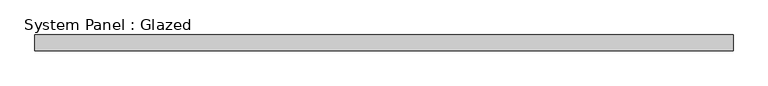
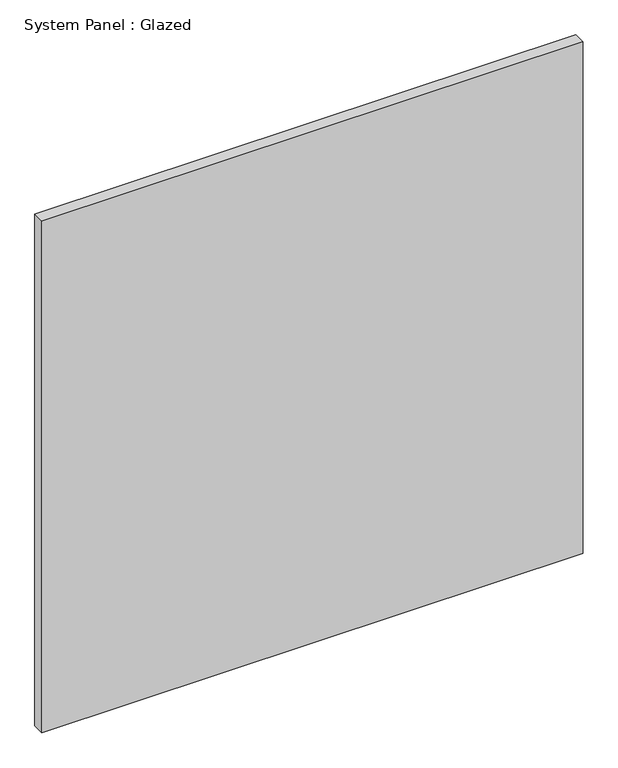
"""IFC4 building model written with IfcOpenShell, lengths in millimetres: plate geometry, System Panel : Glazed."""

from ifc_helpers import new_model, si_unit, origin, origin_with_axes, place, context, project, spatial, polyline, outline, extrude, source, transform, mapped, element, save


def system_panel_glazed_68c9a570(model_context):
    return source(origin(), model_context, "Body", "SweptSolid", [
        extrude(outline(polyline([(561.975, -44.45), (-561.975, -44.45), (-561.975, -19.05), (561.975, -19.05), (561.975, -44.45)])), origin_with_axes(), (0.0, 0.0, 1.0), 1123.95),
    ])


if __name__ == "__main__":
    model = new_model("IFC4")
    model_context = context("Model", 3, world=origin())
    ifc_project = project(units=[si_unit("LENGTHUNIT", "METRE", prefix="MILLI")], contexts=[model_context])
    site = spatial("IfcSite", under=ifc_project)
    building = spatial("IfcBuilding", under=site)
    placement = place(None, origin())
    system_panel_glazed_shape = system_panel_glazed_68c9a570(model_context)
    element("IfcPlate", 1, ObjectType="System Panel : Glazed", at=placement, inside=building, context=model_context, shape_type="MappedRepresentation", body=[
        mapped(system_panel_glazed_shape, transform((0.0, 0.0, 0.0), x_axis=(1.0, 0.0, 0.0), y_axis=(0.0, 1.0, 0.0), z_axis=(0.0, 0.0, 1.0))),
    ])
    save(model, "model.ifc")
